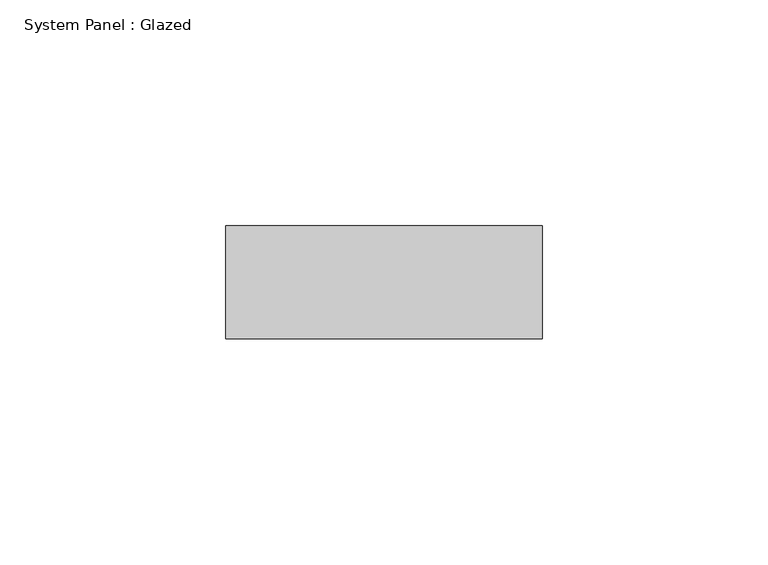
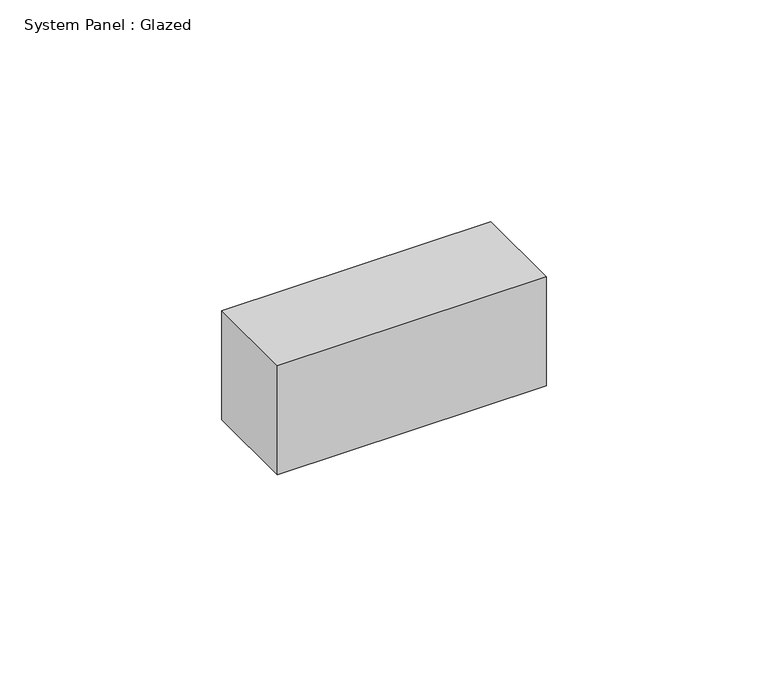
"""IFC4 building model written with IfcOpenShell, lengths in millimetres: plate geometry, System Panel : Glazed."""

from ifc_helpers import new_model, si_unit, origin, origin_with_axes, place, context, project, spatial, polyline, outline, extrude, source, transform, mapped, element, save


def system_panel_glazed_d1bb129c(model_context):
    return source(origin(), model_context, "Body", "SweptSolid", [
        extrude(outline(polyline([(35.0, -49.5), (-35.0, -49.5), (-35.0, -24.5), (35.0, -24.5), (35.0, -49.5)])), origin_with_axes(), (0.0, 0.0, 1.0), 30.0),
    ])


if __name__ == "__main__":
    model = new_model("IFC4")
    model_context = context("Model", 3, world=origin())
    ifc_project = project(units=[si_unit("LENGTHUNIT", "METRE", prefix="MILLI")], contexts=[model_context])
    site = spatial("IfcSite", under=ifc_project)
    building = spatial("IfcBuilding", under=site)
    placement = place(None, origin())
    system_panel_glazed_shape = system_panel_glazed_d1bb129c(model_context)
    element("IfcPlate", 1, ObjectType="System Panel : Glazed", at=placement, inside=building, context=model_context, shape_type="MappedRepresentation", body=[
        mapped(system_panel_glazed_shape, transform((0.0, 0.0, 0.0), x_axis=(1.0, 0.0, 0.0), y_axis=(0.0, 1.0, 0.0), z_axis=(0.0, 0.0, 1.0))),
    ])
    save(model, "model.ifc")
